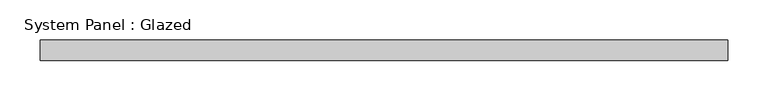
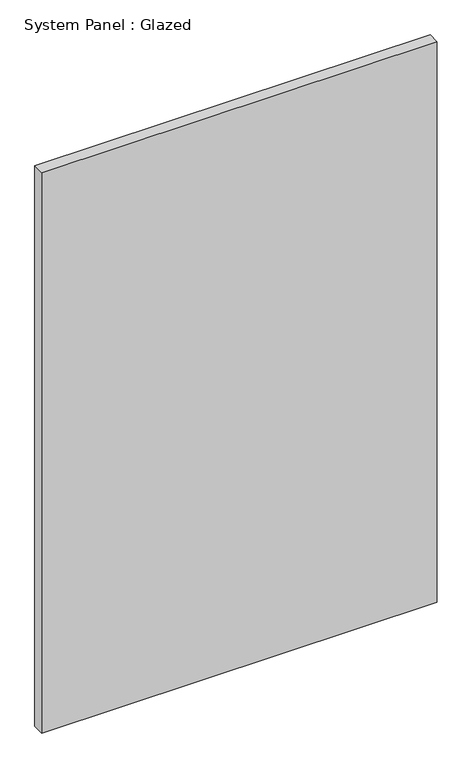
"""IFC4 building model written with IfcOpenShell, lengths in millimetres: plate geometry, System Panel : Glazed."""

from ifc_helpers import new_model, si_unit, origin, origin_with_axes, place, context, project, spatial, polyline, outline, extrude, source, transform, mapped, element, save


def system_panel_glazed_9a93ee14(model_context):
    return source(origin(), model_context, "Body", "SweptSolid", [
        extrude(outline(polyline([(425.0000002, 24.5), (-425.0000002, 24.5), (-425.0000002, 49.5), (425.0000002, 49.5), (425.0000002, 24.5)])), origin_with_axes(), (0.0, 0.0, 1.0), 1273.0),
    ])


if __name__ == "__main__":
    model = new_model("IFC4")
    model_context = context("Model", 3, world=origin())
    ifc_project = project(units=[si_unit("LENGTHUNIT", "METRE", prefix="MILLI")], contexts=[model_context])
    site = spatial("IfcSite", under=ifc_project)
    building = spatial("IfcBuilding", under=site)
    placement = place(None, origin())
    system_panel_glazed_shape = system_panel_glazed_9a93ee14(model_context)
    element("IfcPlate", 1, ObjectType="System Panel : Glazed", at=placement, inside=building, context=model_context, shape_type="MappedRepresentation", body=[
        mapped(system_panel_glazed_shape, transform((0.0, 0.0, 0.0), x_axis=(1.0, 0.0, 0.0), y_axis=(0.0, 1.0, 0.0), z_axis=(0.0, 0.0, 1.0))),
    ])
    save(model, "model.ifc")
